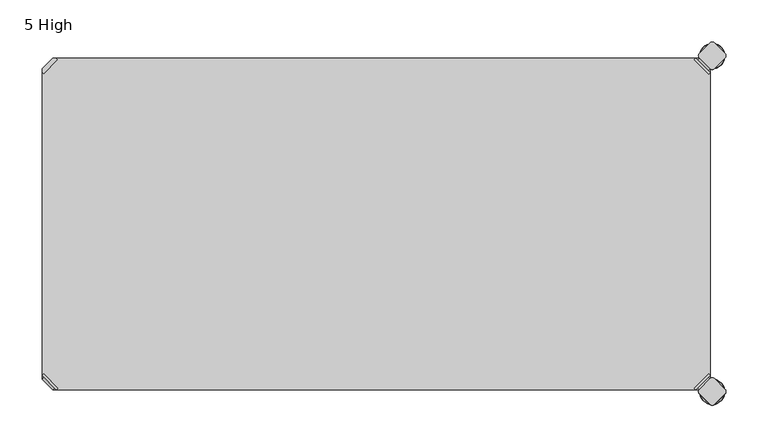
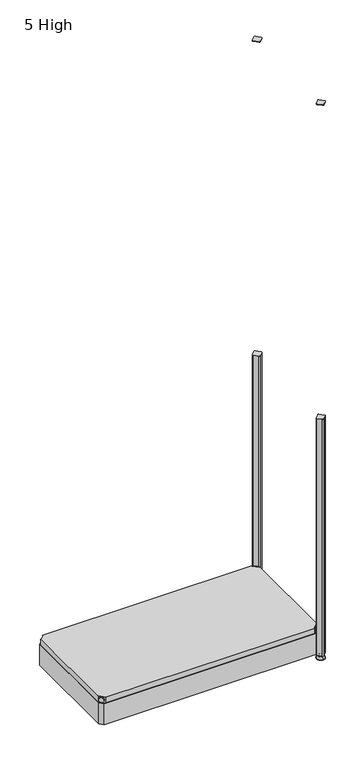
"""IFC4 building model written with IfcOpenShell, lengths in millimetres: furniture geometry, 5 High."""

from ifc_helpers import new_model, si_unit, point, frame, frame_2d, origin, place, context, project, spatial, polyline, circle_curve, ellipse_curve, trimmed, segment, composite_curve, outline, extrude, source, transform, mapped, element, save
from ifc_brep_helpers import plane_surface, cylinder_surface, revolved_surface, advanced_brep


def furniture_5_high_97759045(model_context):
    return source(origin(), model_context, "Body", "SolidModel", [
        advanced_brep(
        [(797.56, 380.2870969, 118.9736), (780.3370969, 397.51, 118.9736), (778.5410456, 395.7139488, 118.9736), (795.7639488, 378.4910456, 118.9736), (797.56, 380.2870969, 97.6376), (780.3370969, 397.51, 97.6376), (795.2347277, 382.6123691, 108.8136), (782.6623691, 395.1847277, 108.8136), (769.8079478, 352.5350447, 98.6536), (795.7639488, 378.4910456, 98.6536), (778.5410456, 395.7139488, 98.6536), (752.5850447, 369.7579478, 98.6536), (769.8079478, 352.5350447, 97.6376), (752.5850447, 369.7579478, 97.6376), (784.9772487, 397.4996073, 108.8136), (797.5496073, 384.9272487, 108.8136)],
        [
            (0, 1),
            (1, 2),
            (2, 3),
            (3, 0),
            (0, 4),
            (4, 5),
            (5, 1),
            (6, 7, circle_curve(frame((788.9485484, 388.8985484, 108.8136), z_axis=(-0.7071067811865446, -0.7071067811865505, 0.0), x_axis=(0.7071067811865505, -0.7071067811865446, 0.0)), 8.89)),
            (7, 6, circle_curve(frame((788.9485484, 388.8985484, 108.8136), z_axis=(-0.7071067811865446, -0.7071067811865505, 0.0), x_axis=(0.7071067811865505, -0.7071067811865446, 0.0)), 8.89)),
            (8, 9),
            (9, 10),
            (10, 11),
            (11, 8, circle_curve(frame((761.1964963, 361.1464963, 98.6536), z_axis=(0.0, 0.0, 1.0), x_axis=(-1.0, 0.0, 0.0)), 12.1784316)),
            (12, 13, circle_curve(frame((761.1964963, 361.1464963, 97.6376), z_axis=(0.0, 0.0, -1.0), x_axis=(-1.0, 0.0, 0.0)), 12.1784316)),
            (13, 5),
            (4, 12),
            (14, 15, circle_curve(frame((791.263428, 391.213428, 108.8136), z_axis=(0.7071067811865446, 0.7071067811865505, 0.0), x_axis=(0.7071067811865505, -0.7071067811865446, 0.0)), 8.89)),
            (15, 14, circle_curve(frame((791.263428, 391.213428, 108.8136), z_axis=(0.7071067811865446, 0.7071067811865505, 0.0), x_axis=(0.7071067811865505, -0.7071067811865446, 0.0)), 8.89)),
            (15, 6),
            (7, 14),
            (2, 10),
            (9, 3),
            (11, 13),
            (12, 8),
        ],
        [
            plane_surface(frame((819.7579872, 402.485084, 118.9736), z_axis=(0.0, 0.0, 1.0000000000000002), x_axis=(-0.7071067811865436, -0.7071067811865516, 0.0))),
            plane_surface(frame((780.3370969, 397.51, 118.9736), z_axis=(0.7071067811865447, 0.7071067811865503, 0.0), x_axis=(0.0, 0.0, -1.0))),
            plane_surface(frame((749.0180647, 361.1464963, 98.6536), z_axis=(0.0, 0.0, 1.0), x_axis=(0.0, 1.0, 0.0))),
            plane_surface(frame((749.0180647, 361.1464963, 97.6376), z_axis=(0.0, 0.0, -1.0), x_axis=(0.0, -1.0, 0.0))),
            plane_surface(frame((797.5496073, 384.9272487, 108.8136), z_axis=(0.7071067811865446, 0.7071067811865505, 0.0), x_axis=(0.0, 0.0, 1.0))),
            cylinder_surface(frame((788.9485484, 388.8985484, 108.8136), z_axis=(0.7071067811865446, 0.7071067811865505, 0.0), x_axis=(0.7071067811865505, -0.7071067811865446, 0.0)), 8.89),
            plane_surface(frame((795.7639488, 378.4910456, 118.9736), z_axis=(-0.7071067811865447, -0.7071067811865503, 0.0), x_axis=(0.0, 0.0, -1.0))),
            cylinder_surface(frame((761.1964963, 361.1464963, 97.6376), z_axis=(0.0, 0.0, 1.0), x_axis=(-1.0, 0.0, 0.0)), 12.1784316),
            plane_surface(frame((797.56, 380.2870969, 118.9736), z_axis=(0.7071067811865516, -0.7071067811865436, 0.0), x_axis=(0.0, 0.0, -1.0))),
            plane_surface(frame((778.5410456, 395.7139488, 118.9736), z_axis=(-0.7071067811865513, 0.7071067811865437, 0.0), x_axis=(0.0, 0.0, -1.0))),
        ],
        [
            (0, [[1, 2, 3, 4]]),
            (1, [[5, 6, 7, -1], [8, 9]]),
            (2, [[10, 11, 12, 13]]),
            (3, [[14, 15, -6, 16]]),
            (4, [[17, 18]]),
            (5, [[19, -9, 20, -18]]),
            (5, [[-20, -8, -19, -17]]),
            (6, [[21, -11, 22, -3]]),
            (7, [[23, -14, 24, -13]]),
            (8, [[-22, -10, -24, -16, -5, -4]]),
            (9, [[-7, -15, -23, -12, -21, -2]]),
        ],
    ),
        advanced_brep(
        [(797.56, 19.7629031, 118.9736), (795.7639488, 21.5589544, 118.9736), (778.5410456, 4.3360512, 118.9736), (780.3370969, 2.54, 118.9736), (780.3370969, 2.54, 97.6376), (797.56, 19.7629031, 97.6376), (795.2347277, 17.4376309, 108.8136), (782.6623691, 4.8652723, 108.8136), (769.8079478, 47.5149553, 98.6536), (752.5850447, 30.2920522, 98.6536), (778.5410456, 4.3360512, 98.6536), (795.7639488, 21.5589544, 98.6536), (769.8079478, 47.5149553, 97.6376), (752.5850447, 30.2920522, 97.6376), (784.9772487, 2.5503927, 108.8136), (797.5496073, 15.1227513, 108.8136)],
        [
            (0, 1),
            (1, 2),
            (2, 3),
            (3, 0),
            (3, 4),
            (4, 5),
            (5, 0),
            (6, 7, circle_curve(frame((788.9485484, 11.1514516, 108.8136), z_axis=(-0.7071067811865469, 0.7071067811865481, 0.0), x_axis=(0.7071067811865481, 0.7071067811865469, 0.0)), 8.89)),
            (7, 6, circle_curve(frame((788.9485484, 11.1514516, 108.8136), z_axis=(-0.7071067811865469, 0.7071067811865481, 0.0), x_axis=(0.7071067811865481, 0.7071067811865469, 0.0)), 8.89)),
            (8, 9, circle_curve(frame((761.1964963, 38.9035037, 98.6536), z_axis=(0.0, 0.0, 1.0), x_axis=(-1.0, 0.0, 0.0)), 12.1784316)),
            (9, 10),
            (10, 11),
            (11, 8),
            (12, 5),
            (4, 13),
            (13, 12, circle_curve(frame((761.1964963, 38.9035037, 97.6376), z_axis=(0.0, 0.0, -1.0), x_axis=(-1.0, 0.0, 0.0)), 12.1784316)),
            (14, 15, circle_curve(frame((791.263428, 8.836572, 108.8136), z_axis=(0.7071067811865469, -0.7071067811865481, 0.0), x_axis=(0.7071067811865481, 0.7071067811865469, 0.0)), 8.89)),
            (15, 14, circle_curve(frame((791.263428, 8.836572, 108.8136), z_axis=(0.7071067811865469, -0.7071067811865481, 0.0), x_axis=(0.7071067811865481, 0.7071067811865469, 0.0)), 8.89)),
            (14, 7),
            (6, 15),
            (1, 11),
            (10, 2),
            (8, 12),
            (13, 9),
        ],
        [
            plane_surface(frame((819.7579872, -2.435084, 118.9736), z_axis=(0.0, 0.0, 1.0000000000000002), x_axis=(-0.7071067811865459, 0.7071067811865492, 0.0))),
            plane_surface(frame((780.3370969, 2.54, 118.9736), z_axis=(0.707106781186547, -0.707106781186548, 0.0), x_axis=(0.0, 0.0, -1.0))),
            plane_surface(frame((749.0180647, 38.9035037, 98.6536), z_axis=(0.0, 0.0, 1.0), x_axis=(0.0, -1.0, 0.0))),
            plane_surface(frame((749.0180647, 38.9035037, 97.6376), z_axis=(0.0, 0.0, -1.0), x_axis=(0.0, 1.0, 0.0))),
            plane_surface(frame((797.5496073, 15.1227513, 108.8136), z_axis=(0.7071067811865469, -0.7071067811865481, 0.0), x_axis=(0.0, 0.0, 1.0))),
            cylinder_surface(frame((788.9485484, 11.1514516, 108.8136), z_axis=(0.7071067811865469, -0.7071067811865481, 0.0), x_axis=(0.7071067811865481, 0.7071067811865469, 0.0)), 8.89),
            plane_surface(frame((795.7639488, 21.5589544, 118.9736), z_axis=(-0.707106781186547, 0.707106781186548, 0.0), x_axis=(0.0, 0.0, -1.0))),
            cylinder_surface(frame((761.1964963, 38.9035037, 97.6376), z_axis=(0.0, 0.0, 1.0), x_axis=(-1.0, 0.0, 0.0)), 12.1784316),
            plane_surface(frame((797.56, 19.7629031, 118.9736), z_axis=(0.7071067811865492, 0.7071067811865459, 0.0), x_axis=(0.0, 0.0, -1.0))),
            plane_surface(frame((778.5410456, 4.3360512, 118.9736), z_axis=(-0.707106781186549, -0.707106781186546, 0.0), x_axis=(0.0, 0.0, -1.0))),
        ],
        [
            (0, [[1, 2, 3, 4]]),
            (1, [[-4, 5, 6, 7], [8, 9]]),
            (2, [[10, 11, 12, 13]]),
            (3, [[14, -6, 15, 16]]),
            (4, [[17, 18]]),
            (5, [[-17, 19, -8, 20]]),
            (5, [[-18, -20, -9, -19]]),
            (6, [[-2, 21, -12, 22]]),
            (7, [[-10, 23, -16, 24]]),
            (8, [[-1, -7, -14, -23, -13, -21]]),
            (9, [[-3, -22, -11, -24, -15, -5]]),
        ],
    ),
        advanced_brep(
        [(2.54, 19.7629031, 118.9736), (19.7629031, 2.54, 118.9736), (21.5589544, 4.3360512, 118.9736), (4.3360512, 21.5589544, 118.9736), (2.54, 19.7629031, 97.6376), (19.7629031, 2.54, 97.6376), (4.8652723, 17.4376309, 108.8136), (17.4376309, 4.8652723, 108.8136), (30.2920522, 47.5149553, 98.6536), (4.3360512, 21.5589544, 98.6536), (21.5589544, 4.3360512, 98.6536), (47.5149553, 30.2920522, 98.6536), (30.2920522, 47.5149553, 97.6376), (47.5149553, 30.2920522, 97.6376), (15.1227513, 2.5503927, 108.8136), (2.5503927, 15.1227513, 108.8136)],
        [
            (0, 1),
            (1, 2),
            (2, 3),
            (3, 0),
            (0, 4),
            (4, 5),
            (5, 1),
            (6, 7, circle_curve(frame((11.1514516, 11.1514516, 108.8136), z_axis=(0.7071067811865469, 0.7071067811865481, 0.0), x_axis=(-0.7071067811865481, 0.7071067811865469, 0.0)), 8.89)),
            (7, 6, circle_curve(frame((11.1514516, 11.1514516, 108.8136), z_axis=(0.7071067811865469, 0.7071067811865481, 0.0), x_axis=(-0.7071067811865481, 0.7071067811865469, 0.0)), 8.89)),
            (8, 9),
            (9, 10),
            (10, 11),
            (11, 8, circle_curve(frame((38.9035037, 38.9035037, 98.6536), z_axis=(0.0, 0.0, 1.0), x_axis=(1.0, 0.0, 0.0)), 12.1784316)),
            (12, 13, circle_curve(frame((38.9035037, 38.9035037, 97.6376), z_axis=(0.0, 0.0, -1.0), x_axis=(1.0, 0.0, 0.0)), 12.1784316)),
            (13, 5),
            (4, 12),
            (14, 15, circle_curve(frame((8.836572, 8.836572, 108.8136), z_axis=(-0.7071067811865469, -0.7071067811865481, 0.0), x_axis=(-0.7071067811865481, 0.7071067811865469, 0.0)), 8.89)),
            (15, 14, circle_curve(frame((8.836572, 8.836572, 108.8136), z_axis=(-0.7071067811865469, -0.7071067811865481, 0.0), x_axis=(-0.7071067811865481, 0.7071067811865469, 0.0)), 8.89)),
            (15, 6),
            (7, 14),
            (2, 10),
            (9, 3),
            (11, 13),
            (12, 8),
        ],
        [
            plane_surface(frame((-19.6579872, -2.435084, 118.9736), z_axis=(0.0, 0.0, 1.0000000000000002), x_axis=(0.7071067811865459, 0.7071067811865492, 0.0))),
            plane_surface(frame((19.7629031, 2.54, 118.9736), z_axis=(-0.707106781186547, -0.707106781186548, 0.0), x_axis=(0.0, 0.0, -1.0))),
            plane_surface(frame((51.0819353, 38.9035037, 98.6536), z_axis=(0.0, 0.0, 1.0), x_axis=(0.0, -1.0, 0.0))),
            plane_surface(frame((51.0819353, 38.9035037, 97.6376), z_axis=(0.0, 0.0, -1.0), x_axis=(0.0, 1.0, 0.0))),
            plane_surface(frame((2.5503927, 15.1227513, 108.8136), z_axis=(-0.7071067811865469, -0.7071067811865481, 0.0), x_axis=(0.0, 0.0, 1.0))),
            cylinder_surface(frame((11.1514516, 11.1514516, 108.8136), z_axis=(-0.7071067811865469, -0.7071067811865481, 0.0), x_axis=(-0.7071067811865481, 0.7071067811865469, 0.0)), 8.89),
            plane_surface(frame((4.3360512, 21.5589544, 118.9736), z_axis=(0.707106781186547, 0.707106781186548, 0.0), x_axis=(0.0, 0.0, -1.0))),
            cylinder_surface(frame((38.9035037, 38.9035037, 97.6376), z_axis=(0.0, 0.0, 1.0), x_axis=(1.0, 0.0, 0.0)), 12.1784316),
            plane_surface(frame((2.54, 19.7629031, 118.9736), z_axis=(-0.7071067811865492, 0.7071067811865459, 0.0), x_axis=(0.0, 0.0, -1.0))),
            plane_surface(frame((21.5589544, 4.3360512, 118.9736), z_axis=(0.707106781186549, -0.707106781186546, 0.0), x_axis=(0.0, 0.0, -1.0))),
        ],
        [
            (0, [[1, 2, 3, 4]]),
            (1, [[5, 6, 7, -1], [8, 9]]),
            (2, [[10, 11, 12, 13]]),
            (3, [[14, 15, -6, 16]]),
            (4, [[17, 18]]),
            (5, [[19, -9, 20, -18]]),
            (5, [[-20, -8, -19, -17]]),
            (6, [[21, -11, 22, -3]]),
            (7, [[23, -14, 24, -13]]),
            (8, [[-22, -10, -24, -16, -5, -4]]),
            (9, [[-7, -15, -23, -12, -21, -2]]),
        ],
    ),
        extrude(outline(polyline([(19.7629031, 2.54), (21.5589544, 4.3360512), (4.3360512, 21.5589544), (2.54, 19.7629031), (2.54, 380.2870969), (4.3360512, 378.4910456), (21.5589544, 395.7139488), (19.7629031, 397.51), (780.3370969, 397.51), (778.5410456, 395.7139488), (795.7639488, 378.4910456), (797.56, 380.2870969), (797.56, 19.7629031), (795.7639488, 21.5589544), (778.5410456, 4.3360512), (780.3370969, 2.54), (19.7629031, 2.54)])), frame((0.0, 0.0, 98.6536), z_axis=(0.0, 0.0, 1.0), x_axis=(1.0, 0.0, 0.0)), (0.0, 0.0, 1.0), 20.32),
        extrude(outline(composite_curve([segment(polyline([(802.345064, 15.4326055), (815.5326055, 2.245064)]), True, "CONTINUOUS"), segment(trimmed(circle_curve(frame_2d((813.2875415, 0.0)), 3.175), [point((815.5326055, 2.245064))], [point((815.5326055, -2.245064))], False, "CARTESIAN"), True, "CONTINUOUS"), segment(polyline([(815.5326055, -2.245064), (802.345064, -15.4326055)]), True, "CONTINUOUS"), segment(trimmed(circle_curve(frame_2d((800.1, -13.1875415)), 3.175), [point((802.345064, -15.4326055))], [point((797.854936, -15.4326055))], False, "CARTESIAN"), True, "CONTINUOUS"), segment(polyline([(797.854936, -15.4326055), (784.6673945, -2.245064)]), True, "CONTINUOUS"), segment(trimmed(circle_curve(frame_2d((786.9124585, 0.0)), 3.175), [point((784.6673945, -2.245064))], [point((784.6673945, 2.245064))], False, "CARTESIAN"), True, "CONTINUOUS"), segment(polyline([(784.6673945, 2.245064), (797.854936, 15.4326055)]), True, "CONTINUOUS"), segment(trimmed(circle_curve(frame_2d((800.1, 13.1875415)), 3.175), [point((797.854936, 15.4326055))], [point((802.345064, 15.4326055))], False, "CARTESIAN"), True, "CONTINUOUS")], self_intersect=False)), frame((0.0, 0.0, 2127.25), z_axis=(0.0, 0.0, 1.0), x_axis=(1.0, 0.0, 0.0)), (0.0, 0.0, 1.0), 2.032),
        extrude(outline(composite_curve([segment(trimmed(circle_curve(frame_2d((800.1, 386.8624585)), 3.175), [point((802.345064, 384.6173945))], [point((797.854936, 384.6173945))], False, "CARTESIAN"), True, "CONTINUOUS"), segment(polyline([(797.854936, 384.6173945), (784.6673945, 397.804936)]), True, "CONTINUOUS"), segment(trimmed(circle_curve(frame_2d((786.9124585, 400.05)), 3.175), [point((784.6673945, 397.804936))], [point((784.6673945, 402.295064))], False, "CARTESIAN"), True, "CONTINUOUS"), segment(polyline([(784.6673945, 402.295064), (797.854936, 415.4826055)]), True, "CONTINUOUS"), segment(trimmed(circle_curve(frame_2d((800.1, 413.2375415)), 3.175), [point((797.854936, 415.4826055))], [point((802.345064, 415.4826055))], False, "CARTESIAN"), True, "CONTINUOUS"), segment(polyline([(802.345064, 415.4826055), (815.5326055, 402.295064)]), True, "CONTINUOUS"), segment(trimmed(circle_curve(frame_2d((813.2875415, 400.05)), 3.175), [point((815.5326055, 402.295064))], [point((815.5326055, 397.804936))], False, "CARTESIAN"), True, "CONTINUOUS"), segment(polyline([(815.5326055, 397.804936), (802.345064, 384.6173945)]), True, "CONTINUOUS")], self_intersect=False)), frame((0.0, 0.0, 2127.25), z_axis=(0.0, 0.0, 1.0), x_axis=(1.0, 0.0, 0.0)), (0.0, 0.0, 1.0), 2.032),
        extrude(outline(polyline([(2.54, 384.9123305), (15.1376695, 397.51), (784.9623305, 397.51), (797.56, 384.9123305), (797.56, 15.1376695), (784.9623305, 2.54), (15.1376695, 2.54), (2.54, 15.1376695), (2.54, 384.9123305)]), holes=[polyline([(12.7, 15.748), (787.4, 15.748), (787.4, 387.35), (12.7, 387.35), (12.7, 15.748)])]), frame((0.0, 0.0, 15.9766), z_axis=(0.0, 0.0, 1.0), x_axis=(1.0, 0.0, 0.0)), (0.0, 0.0, 1.0), 81.28),
        advanced_brep(
        [(800.1, -3.999659, 15.9766), (800.1, 0.0, 15.9766), (800.1, 3.999659, 15.9766), (800.1, -3.999659, 12.6000054), (800.1, 3.999659, 12.6000054), (800.1, -5.8601455, 12.6000054), (800.1, 5.8601455, 12.6000054), (800.1, -6.4951462, 11.9650074), (800.1, 6.4951462, 11.9650074), (800.1, -6.4951462, 9.0000124), (800.1, 6.4951462, 9.0000124), (800.1, -8.7421976, 9.0000124), (800.1, 8.7421976, 9.0000124), (800.1, -14.7060077, 2.3275608), (800.1, 14.7060077, 2.3275608), (800.1, -13.664601, 0.0), (800.1, 13.664601, 0.0), (800.1, 0.0, 0.0)],
        [
            (0, 1),
            (1, 2),
            (2, 0, circle_curve(frame((800.1, 0.0, 15.9766), z_axis=(0.0, 0.0, 1.0), x_axis=(0.0, 1.0, 0.0)), 3.999659)),
            (0, 2, circle_curve(frame((800.1, 0.0, 15.9766), z_axis=(0.0, 0.0, 1.0), x_axis=(0.0, 1.0, 0.0)), 3.999659)),
            (3, 0),
            (2, 4),
            (4, 3, circle_curve(frame((800.1, 0.0, 12.6000054), z_axis=(0.0, 0.0, 1.0), x_axis=(0.0, 1.0, 0.0)), 3.999659)),
            (3, 4, circle_curve(frame((800.1, 0.0, 12.6000054), z_axis=(0.0, 0.0, 1.0), x_axis=(0.0, 1.0, 0.0)), 3.999659)),
            (5, 3),
            (4, 6),
            (6, 5, circle_curve(frame((800.1, 0.0, 12.6000054), z_axis=(0.0, 0.0, 1.0), x_axis=(0.0, 1.0, 0.0)), 5.8601455)),
            (5, 6, circle_curve(frame((800.1, 0.0, 12.6000054), z_axis=(0.0, 0.0, 1.0), x_axis=(0.0, 1.0, 0.0)), 5.8601455)),
            (7, 5, circle_curve(frame((800.1, -5.8601462, 11.9650074), z_axis=(-1.0, 0.0, 0.0), x_axis=(0.0, -1.0, 0.0)), 0.635)),
            (6, 8, circle_curve(frame((800.1, 5.8601462, 11.9650074), z_axis=(-1.0, 0.0, 0.0), x_axis=(0.0, 1.0, 0.0)), 0.635)),
            (8, 7, circle_curve(frame((800.1, 0.0, 11.9650074), z_axis=(0.0, 0.0, 1.0), x_axis=(0.0, 1.0, 0.0)), 6.4951462)),
            (7, 8, circle_curve(frame((800.1, 0.0, 11.9650074), z_axis=(0.0, 0.0, 1.0), x_axis=(0.0, 1.0, 0.0)), 6.4951462)),
            (9, 7),
            (8, 10),
            (10, 9, circle_curve(frame((800.1, 0.0, 9.0000124), z_axis=(0.0, 0.0, 1.0), x_axis=(0.0, 1.0, 0.0)), 6.4951462)),
            (9, 10, circle_curve(frame((800.1, 0.0, 9.0000124), z_axis=(0.0, 0.0, 1.0), x_axis=(0.0, 1.0, 0.0)), 6.4951462)),
            (11, 9),
            (10, 12),
            (12, 11, circle_curve(frame((800.1, 0.0, 9.0000124), z_axis=(0.0, 0.0, 1.0), x_axis=(0.0, 1.0, 0.0)), 8.7421976)),
            (11, 12, circle_curve(frame((800.1, 0.0, 9.0000124), z_axis=(0.0, 0.0, 1.0), x_axis=(0.0, 1.0, 0.0)), 8.7421976)),
            (13, 11),
            (12, 14),
            (14, 13, circle_curve(frame((800.1, 0.0, 2.3275608), z_axis=(0.0, 0.0, 1.0), x_axis=(0.0, 1.0, 0.0)), 14.7060077)),
            (13, 14, circle_curve(frame((800.1, 0.0, 2.3275608), z_axis=(0.0, 0.0, 1.0), x_axis=(0.0, 1.0, 0.0)), 14.7060077)),
            (15, 13, circle_curve(frame((800.1, -13.664601, 1.3967556), z_axis=(-1.0, 0.0, 0.0), x_axis=(0.0, -1.0, 0.0)), 1.3967556)),
            (14, 16, circle_curve(frame((800.1, 13.664601, 1.3967556), z_axis=(-1.0, 0.0, 0.0), x_axis=(0.0, 1.0, 0.0)), 1.3967556)),
            (16, 15, circle_curve(frame((800.1, 0.0, 0.0), z_axis=(0.0, 0.0, 1.0), x_axis=(0.0, 1.0, 0.0)), 13.664601)),
            (15, 16, circle_curve(frame((800.1, 0.0, 0.0), z_axis=(0.0, 0.0, 1.0), x_axis=(0.0, 1.0, 0.0)), 13.664601)),
            (17, 15),
            (16, 17),
        ],
        [
            plane_surface(frame((800.1, 0.0, 15.9766), z_axis=(0.0, 0.0, 1.0), x_axis=(0.0, 1.0, 0.0))),
            cylinder_surface(frame((800.1, 0.0, -4.132372), z_axis=(0.0, 0.0, -1.0), x_axis=(0.0, 1.0, 0.0)), 3.999659),
            plane_surface(frame((800.1, 0.0, 12.6000054), z_axis=(0.0, 0.0, 1.0), x_axis=(0.0, 1.0, 0.0))),
            revolved_surface(trimmed(ellipse_curve(frame((800.1, 5.8601462, 11.9650074), z_axis=(-1.0, 0.0, 0.0), x_axis=(0.0, 1.0, 0.0)), 0.635, 0.635), [point((800.1, 5.8601455, 12.6000074))], [point((800.1, 6.4951462, 11.9650074))], True, "CARTESIAN"), (800.1, 0.0, -4.132372), (0.0, 0.0, -1.0)),
            cylinder_surface(frame((800.1, 0.0, -4.132372), z_axis=(0.0, 0.0, -1.0), x_axis=(0.0, 1.0, 0.0)), 6.4951462),
            plane_surface(frame((800.1, 0.0, 9.0000124), z_axis=(0.0, 0.0, 1.0), x_axis=(0.0, 1.0, 0.0))),
            revolved_surface(polyline([(800.1, 8.7421976, 9.0000124), (800.1, 14.7060077, 2.3275608)]), (800.1, 0.0, -4.132372), (0.0, 0.0, -1.0)),
            revolved_surface(trimmed(ellipse_curve(frame((800.1, 13.664601, 1.3967556), z_axis=(-1.0, 0.0, 0.0), x_axis=(0.0, 1.0, 0.0)), 1.3967556, 1.3967556), [point((800.1, 14.7060077, 2.3275608))], [point((800.1, 13.664601, 0.0))], True, "CARTESIAN"), (800.1, 0.0, -4.132372), (0.0, 0.0, -1.0)),
            plane_surface(frame((800.1, 0.0, 0.0), z_axis=(0.0, 0.0, -1.0), x_axis=(0.0, 1.0, 0.0))),
        ],
        [
            (0, [[1, 2, 3]]),
            (0, [[-2, -1, 4]]),
            (1, [[5, -3, 6, 7]]),
            (1, [[-6, -4, -5, 8]]),
            (2, [[9, -7, 10, 11]]),
            (2, [[-10, -8, -9, 12]]),
            (3, [[13, -11, 14, 15]]),
            (3, [[-14, -12, -13, 16]]),
            (4, [[17, -15, 18, 19]]),
            (4, [[-18, -16, -17, 20]]),
            (5, [[21, -19, 22, 23]]),
            (5, [[-22, -20, -21, 24]]),
            (6, [[25, -23, 26, 27]]),
            (6, [[-26, -24, -25, 28]]),
            (7, [[29, -27, 30, 31]]),
            (7, [[-30, -28, -29, 32]]),
            (8, [[33, -31, 34]]),
            (8, [[-34, -32, -33]]),
        ],
    ),
        advanced_brep(
        [(800.1, 400.05, 15.9766), (800.1, 404.049659, 15.9766), (800.1, 396.050341, 15.9766), (800.1, 404.049659, 12.6000054), (800.1, 396.050341, 12.6000054), (800.1, 405.9101455, 12.6000074), (800.1, 394.1898545, 12.6000074), (800.1, 406.5451462, 11.9650074), (800.1, 393.5548538, 11.9650074), (800.1, 406.5451462, 9.0000124), (800.1, 393.5548538, 9.0000124), (800.1, 408.7921976, 9.0000124), (800.1, 391.3078024, 9.0000124), (800.1, 414.7560077, 2.3275608), (800.1, 385.3439923, 2.3275608), (800.1, 413.714601, 0.0), (800.1, 386.385399, 0.0), (800.1, 400.05, 0.0)],
        [
            (0, 1),
            (1, 2, circle_curve(frame((800.1, 400.05, 15.9766), z_axis=(0.0, 0.0, 1.0), x_axis=(0.0, -1.0, 0.0)), 3.999659)),
            (2, 0),
            (2, 1, circle_curve(frame((800.1, 400.05, 15.9766), z_axis=(0.0, 0.0, 1.0), x_axis=(0.0, -1.0, 0.0)), 3.999659)),
            (1, 3),
            (3, 4, circle_curve(frame((800.1, 400.05, 12.6000054), z_axis=(0.0, 0.0, 1.0), x_axis=(0.0, -1.0, 0.0)), 3.999659)),
            (4, 2),
            (4, 3, circle_curve(frame((800.1, 400.05, 12.6000054), z_axis=(0.0, 0.0, 1.0), x_axis=(0.0, -1.0, 0.0)), 3.999659)),
            (3, 5),
            (5, 6, circle_curve(frame((800.1, 400.05, 12.6000074), z_axis=(0.0, 0.0, 1.0), x_axis=(0.0, -1.0, 0.0)), 5.8601455)),
            (6, 4),
            (6, 5, circle_curve(frame((800.1, 400.05, 12.6000074), z_axis=(0.0, 0.0, 1.0), x_axis=(0.0, -1.0, 0.0)), 5.8601455)),
            (5, 7, circle_curve(frame((800.1, 405.9101462, 11.9650074), z_axis=(-1.0, 0.0, 0.0), x_axis=(0.0, 1.0, 0.0)), 0.635)),
            (7, 8, circle_curve(frame((800.1, 400.05, 11.9650074), z_axis=(0.0, 0.0, 1.0), x_axis=(0.0, -1.0, 0.0)), 6.4951462)),
            (8, 6, circle_curve(frame((800.1, 394.1898538, 11.9650074), z_axis=(-1.0, 0.0, 0.0), x_axis=(0.0, -1.0, 0.0)), 0.635)),
            (8, 7, circle_curve(frame((800.1, 400.05, 11.9650074), z_axis=(0.0, 0.0, 1.0), x_axis=(0.0, -1.0, 0.0)), 6.4951462)),
            (7, 9),
            (9, 10, circle_curve(frame((800.1, 400.05, 9.0000124), z_axis=(0.0, 0.0, 1.0), x_axis=(0.0, -1.0, 0.0)), 6.4951462)),
            (10, 8),
            (10, 9, circle_curve(frame((800.1, 400.05, 9.0000124), z_axis=(0.0, 0.0, 1.0), x_axis=(0.0, -1.0, 0.0)), 6.4951462)),
            (9, 11),
            (11, 12, circle_curve(frame((800.1, 400.05, 9.0000124), z_axis=(0.0, 0.0, 1.0), x_axis=(0.0, -1.0, 0.0)), 8.7421976)),
            (12, 10),
            (12, 11, circle_curve(frame((800.1, 400.05, 9.0000124), z_axis=(0.0, 0.0, 1.0), x_axis=(0.0, -1.0, 0.0)), 8.7421976)),
            (11, 13),
            (13, 14, circle_curve(frame((800.1, 400.05, 2.3275608), z_axis=(0.0, 0.0, 1.0), x_axis=(0.0, -1.0, 0.0)), 14.7060077)),
            (14, 12),
            (14, 13, circle_curve(frame((800.1, 400.05, 2.3275608), z_axis=(0.0, 0.0, 1.0), x_axis=(0.0, -1.0, 0.0)), 14.7060077)),
            (13, 15, circle_curve(frame((800.1, 413.714601, 1.3967556), z_axis=(-1.0, 0.0, 0.0), x_axis=(0.0, 1.0, 0.0)), 1.3967556)),
            (15, 16, circle_curve(frame((800.1, 400.05, 0.0), z_axis=(0.0, 0.0, 1.0), x_axis=(0.0, -1.0, 0.0)), 13.664601)),
            (16, 14, circle_curve(frame((800.1, 386.385399, 1.3967556), z_axis=(-1.0, 0.0, 0.0), x_axis=(0.0, -1.0, 0.0)), 1.3967556)),
            (16, 15, circle_curve(frame((800.1, 400.05, 0.0), z_axis=(0.0, 0.0, 1.0), x_axis=(0.0, -1.0, 0.0)), 13.664601)),
            (15, 17),
            (17, 16),
        ],
        [
            plane_surface(frame((800.1, 400.05, 15.9766), z_axis=(0.0, 0.0, 1.0), x_axis=(0.0, -1.0, 0.0))),
            cylinder_surface(frame((800.1, 400.05, -4.132372), z_axis=(0.0, 0.0, 1.0), x_axis=(0.0, -1.0, 0.0)), 3.999659),
            plane_surface(frame((800.1, 400.05, 12.6000074), z_axis=(0.0, 0.0, 1.0), x_axis=(0.0, -1.0, 0.0))),
            revolved_surface(trimmed(ellipse_curve(frame((800.1, 394.1898538, 11.9650074), z_axis=(-1.0, 0.0, 0.0), x_axis=(0.0, -1.0, 0.0)), 0.635, 0.635), [point((800.1, 393.5548538, 11.9650074))], [point((800.1, 394.1898545, 12.6000074))], True, "CARTESIAN"), (800.1, 400.05, -4.132372), (0.0, 0.0, 1.0)),
            cylinder_surface(frame((800.1, 400.05, -4.132372), z_axis=(0.0, 0.0, 1.0), x_axis=(0.0, -1.0, 0.0)), 6.4951462),
            plane_surface(frame((800.1, 400.05, 9.0000124), z_axis=(0.0, 0.0, 1.0), x_axis=(0.0, -1.0, 0.0))),
            revolved_surface(polyline([(800.1, 385.3439923, 2.3275608), (800.1, 391.3078024, 9.0000124)]), (800.1, 400.05, -4.132372), (0.0, 0.0, 1.0)),
            revolved_surface(trimmed(ellipse_curve(frame((800.1, 386.385399, 1.3967556), z_axis=(-1.0, 0.0, 0.0), x_axis=(0.0, -1.0, 0.0)), 1.3967556, 1.3967556), [point((800.1, 386.385399, 0.0))], [point((800.1, 385.3439923, 2.3275608))], True, "CARTESIAN"), (800.1, 400.05, -4.132372), (0.0, 0.0, 1.0)),
            plane_surface(frame((800.1, 400.05, 0.0), z_axis=(0.0, 0.0, -1.0), x_axis=(0.0, -1.0, 0.0))),
        ],
        [
            (0, [[1, 2, 3]]),
            (0, [[-3, 4, -1]]),
            (1, [[5, 6, 7, -2]]),
            (1, [[-7, 8, -5, -4]]),
            (2, [[9, 10, 11, -6]]),
            (2, [[-11, 12, -9, -8]]),
            (3, [[13, 14, 15, -10]]),
            (3, [[-15, 16, -13, -12]]),
            (4, [[17, 18, 19, -14]]),
            (4, [[-19, 20, -17, -16]]),
            (5, [[21, 22, 23, -18]]),
            (5, [[-23, 24, -21, -20]]),
            (6, [[25, 26, 27, -22]]),
            (6, [[-27, 28, -25, -24]]),
            (7, [[29, 30, 31, -26]]),
            (7, [[-31, 32, -29, -28]]),
            (8, [[33, 34, -30]]),
            (8, [[-34, -33, -32]]),
        ],
    ),
        extrude(outline(composite_curve([segment(polyline([(802.345064, 15.4326055), (815.5326055, 2.245064)]), True, "CONTINUOUS"), segment(trimmed(circle_curve(frame_2d((813.2875415, 0.0)), 3.175), [point((815.5326055, 2.245064))], [point((815.5326055, -2.245064))], False, "CARTESIAN"), True, "CONTINUOUS"), segment(polyline([(815.5326055, -2.245064), (802.345064, -15.4326055)]), True, "CONTINUOUS"), segment(trimmed(circle_curve(frame_2d((800.1, -13.1875415)), 3.175), [point((802.345064, -15.4326055))], [point((797.854936, -15.4326055))], False, "CARTESIAN"), True, "CONTINUOUS"), segment(polyline([(797.854936, -15.4326055), (784.6673945, -2.245064)]), True, "CONTINUOUS"), segment(trimmed(circle_curve(frame_2d((786.9124585, 0.0)), 3.175), [point((784.6673945, -2.245064))], [point((784.6673945, 2.245064))], False, "CARTESIAN"), True, "CONTINUOUS"), segment(polyline([(784.6673945, 2.245064), (797.854936, 15.4326055)]), True, "CONTINUOUS"), segment(trimmed(circle_curve(frame_2d((800.1, 13.1875415)), 3.175), [point((797.854936, 15.4326055))], [point((802.345064, 15.4326055))], False, "CARTESIAN"), True, "CONTINUOUS")], self_intersect=False)), frame((0.0, 0.0, 15.9766), z_axis=(0.0, 0.0, 1.0), x_axis=(1.0, 0.0, 0.0)), (0.0, 0.0, 1.0), 907.3134),
        extrude(outline(composite_curve([segment(trimmed(circle_curve(frame_2d((800.1, 386.8624585)), 3.175), [point((802.345064, 384.6173945))], [point((797.854936, 384.6173945))], False, "CARTESIAN"), True, "CONTINUOUS"), segment(polyline([(797.854936, 384.6173945), (784.6673945, 397.804936)]), True, "CONTINUOUS"), segment(trimmed(circle_curve(frame_2d((786.9124585, 400.05)), 3.175), [point((784.6673945, 397.804936))], [point((784.6673945, 402.295064))], False, "CARTESIAN"), True, "CONTINUOUS"), segment(polyline([(784.6673945, 402.295064), (797.854936, 415.4826055)]), True, "CONTINUOUS"), segment(trimmed(circle_curve(frame_2d((800.1, 413.2375415)), 3.175), [point((797.854936, 415.4826055))], [point((802.345064, 415.4826055))], False, "CARTESIAN"), True, "CONTINUOUS"), segment(polyline([(802.345064, 415.4826055), (815.5326055, 402.295064)]), True, "CONTINUOUS"), segment(trimmed(circle_curve(frame_2d((813.2875415, 400.05)), 3.175), [point((815.5326055, 402.295064))], [point((815.5326055, 397.804936))], False, "CARTESIAN"), True, "CONTINUOUS"), segment(polyline([(815.5326055, 397.804936), (802.345064, 384.6173945)]), True, "CONTINUOUS")], self_intersect=False)), frame((0.0, 0.0, 15.9766), z_axis=(0.0, 0.0, 1.0), x_axis=(1.0, 0.0, 0.0)), (0.0, 0.0, 1.0), 907.3134),
    ])


if __name__ == "__main__":
    model = new_model("IFC4")
    model_context = context("Model", 3, world=origin())
    ifc_project = project(units=[si_unit("LENGTHUNIT", "METRE", prefix="MILLI")], contexts=[model_context])
    site = spatial("IfcSite", under=ifc_project)
    building = spatial("IfcBuilding", under=site)
    placement = place(None, origin())
    furniture_5_high_shape = furniture_5_high_97759045(model_context)
    element("IfcFurniture", 1, ObjectType="5 High", at=placement, inside=building, context=model_context, shape_type="MappedRepresentation", body=[
        mapped(furniture_5_high_shape, transform((0.0, 0.0, 0.0), x_axis=(1.0, 0.0, 0.0), y_axis=(0.0, 1.0, 0.0), z_axis=(0.0, 0.0, 1.0))),
    ])
    save(model, "model.ifc")
